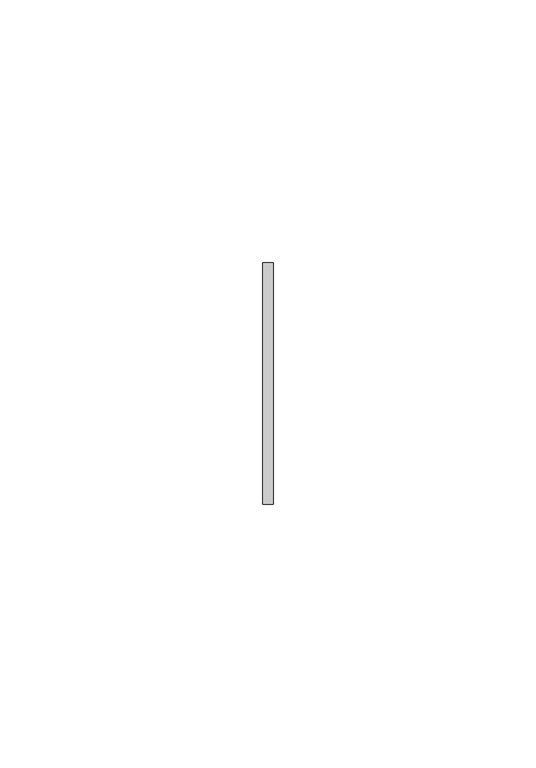
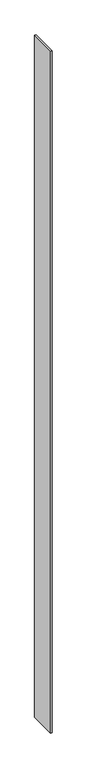
"""IFC4 building model written with IfcOpenShell, lengths in millimetres: member geometry."""

from ifc_helpers import new_model, si_unit, frame, origin, place, context, project, spatial, polyline, outline, extrude, source, transform, mapped, element, save


def member_6820ff0f(model_context):
    return source(origin(), model_context, "Body", "SweptSolid", [
        extrude(outline(polyline([(1.0, 23.0), (1.0, -23.0), (-1.0, -23.0), (-1.0, 23.0), (1.0, 23.0)])), frame((0.0, 0.0, -1198.0), z_axis=(0.0, 0.0, 1.0), x_axis=(1.0, 0.0, 0.0)), (0.0, 0.0, 1.0), 1198.0),
    ])


if __name__ == "__main__":
    model = new_model("IFC4")
    model_context = context("Model", 3, world=origin())
    ifc_project = project(units=[si_unit("LENGTHUNIT", "METRE", prefix="MILLI")], contexts=[model_context])
    site = spatial("IfcSite", under=ifc_project)
    building = spatial("IfcBuilding", under=site)
    placement = place(None, origin())
    member_shape = member_6820ff0f(model_context)
    element("IfcMember", 1, at=placement, inside=building, context=model_context, shape_type="MappedRepresentation", body=[
        mapped(member_shape, transform((0.0, 0.0, 0.0), x_axis=(1.0, 0.0, 0.0), y_axis=(0.0, 1.0, 0.0), z_axis=(0.0, 0.0, 1.0))),
    ])
    save(model, "model.ifc")
